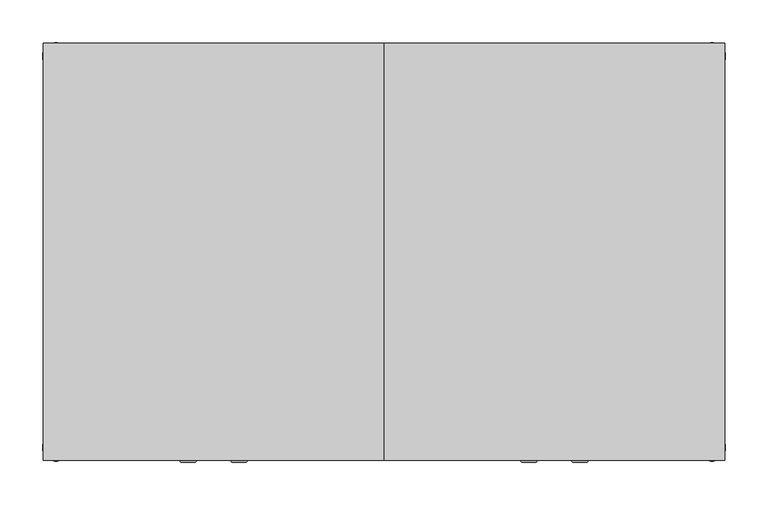
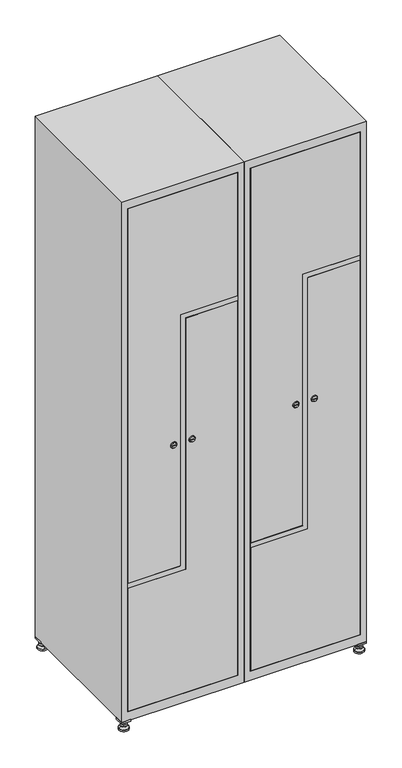
"""IFC4 building model written with IfcOpenShell, lengths in millimetres: furniture geometry."""

from ifc_helpers import new_model, si_unit, point, frame, frame_2d, origin, origin_with_axes, place, context, project, spatial, polyline, circle_curve, trimmed, segment, composite_curve, outline, extrude, faceted_brep, source, transform, mapped, element, save
from ifc_brep_helpers import plane_surface, revolved_surface, advanced_brep


def furniture_44a6886c(model_context):
    return source(origin(), model_context, "Body", "SolidModel", [
        extrude(outline(polyline([(600.0, 245.0), (600.0, 215.0), (570.0, 215.0), (570.0, 245.0), (600.0, 245.0)]), holes=[polyline([(598.0, 243.0), (572.0, 243.0), (572.0, 217.0), (598.0, 217.0), (598.0, 243.0)])]), frame((0.0, 0.0, 28.5), z_axis=(0.0, 0.0, 1.0), x_axis=(1.0, 0.0, 0.0)), (0.0, 0.0, 1.0), 6.5),
        extrude(outline(polyline([(570.0, -245.0), (570.0, -215.0), (600.0, -215.0), (600.0, -245.0), (570.0, -245.0)]), holes=[polyline([(572.0, -243.0), (598.0, -243.0), (598.0, -217.0), (572.0, -217.0), (572.0, -243.0)])]), frame((0.0, 0.0, 28.5), z_axis=(0.0, 0.0, 1.0), x_axis=(1.0, 0.0, 0.0)), (0.0, 0.0, 1.0), 6.5),
        extrude(outline(polyline([(-170.0, 245.0), (-170.0, 215.0), (-200.0, 215.0), (-200.0, 245.0), (-170.0, 245.0)]), holes=[polyline([(-172.0, 243.0), (-198.0, 243.0), (-198.0, 217.0), (-172.0, 217.0), (-172.0, 243.0)])]), frame((0.0, 0.0, 28.5), z_axis=(0.0, 0.0, 1.0), x_axis=(1.0, 0.0, 0.0)), (0.0, 0.0, 1.0), 6.5),
        extrude(outline(polyline([(-170.0, -215.0), (-170.0, -245.0), (-200.0, -245.0), (-200.0, -215.0), (-170.0, -215.0)]), holes=[polyline([(-198.0, -243.0), (-172.0, -243.0), (-172.0, -217.0), (-198.0, -217.0), (-198.0, -243.0)])]), frame((0.0, 0.0, 28.5), z_axis=(0.0, 0.0, 1.0), x_axis=(1.0, 0.0, 0.0)), (0.0, 0.0, 1.0), 6.5),
        extrude(outline(composite_curve([segment(trimmed(circle_curve(frame_2d((-185.0, 230.0)), 5.0), [point((-180.0, 230.0))], [point((-190.0, 230.0))], False, "CARTESIAN"), True, "CONTINUOUS"), segment(trimmed(circle_curve(frame_2d((-185.0, 230.0)), 5.0), [point((-190.0, 230.0))], [point((-180.0, 230.0))], False, "CARTESIAN"), True, "CONTINUOUS")], self_intersect=False)), frame((0.0, 0.0, 19.6), z_axis=(0.0, 0.0, 1.0), x_axis=(1.0, 0.0, 0.0)), (0.0, 0.0, 1.0), 15.4),
        extrude(outline(composite_curve([segment(trimmed(circle_curve(frame_2d((-185.0, -230.0)), 5.0), [point((-180.0, -230.0))], [point((-190.0, -230.0))], False, "CARTESIAN"), True, "CONTINUOUS"), segment(trimmed(circle_curve(frame_2d((-185.0, -230.0)), 5.0), [point((-190.0, -230.0))], [point((-180.0, -230.0))], False, "CARTESIAN"), True, "CONTINUOUS")], self_intersect=False)), frame((0.0, 0.0, 19.6), z_axis=(0.0, 0.0, 1.0), x_axis=(1.0, 0.0, 0.0)), (0.0, 0.0, 1.0), 15.4),
        extrude(outline(composite_curve([segment(trimmed(circle_curve(frame_2d((585.0, 230.0)), 5.0), [point((590.0, 230.0))], [point((580.0, 230.0))], False, "CARTESIAN"), True, "CONTINUOUS"), segment(trimmed(circle_curve(frame_2d((585.0, 230.0)), 5.0), [point((580.0, 230.0))], [point((590.0, 230.0))], False, "CARTESIAN"), True, "CONTINUOUS")], self_intersect=False)), frame((0.0, 0.0, 19.6), z_axis=(0.0, 0.0, 1.0), x_axis=(1.0, 0.0, 0.0)), (0.0, 0.0, 1.0), 15.4),
        extrude(outline(polyline([(573.4529946, 230.0), (579.2264973, 240.0), (590.7735027, 240.0), (596.5470054, 230.0), (590.7735027, 220.0), (579.2264973, 220.0), (573.4529946, 230.0)])), frame((0.0, 0.0, 13.6), z_axis=(0.0, 0.0, 1.0), x_axis=(1.0, 0.0, 0.0)), (0.0, 0.0, 1.0), 6.0),
        extrude(outline(composite_curve([segment(trimmed(circle_curve(frame_2d((585.0, -230.0)), 5.0), [point((590.0, -230.0))], [point((580.0, -230.0))], False, "CARTESIAN"), True, "CONTINUOUS"), segment(trimmed(circle_curve(frame_2d((585.0, -230.0)), 5.0), [point((580.0, -230.0))], [point((590.0, -230.0))], False, "CARTESIAN"), True, "CONTINUOUS")], self_intersect=False)), frame((0.0, 0.0, 19.6), z_axis=(0.0, 0.0, 1.0), x_axis=(1.0, 0.0, 0.0)), (0.0, 0.0, 1.0), 15.4),
        extrude(outline(polyline([(573.4529946, -230.0), (579.2264973, -220.0), (590.7735027, -220.0), (596.5470054, -230.0), (590.7735027, -240.0), (579.2264973, -240.0), (573.4529946, -230.0)])), frame((0.0, 0.0, 13.6), z_axis=(0.0, 0.0, 1.0), x_axis=(1.0, 0.0, 0.0)), (0.0, 0.0, 1.0), 6.0),
        extrude(outline(composite_curve([segment(trimmed(circle_curve(frame_2d((585.0, 230.0)), 5.0), [point((590.0, 230.0))], [point((580.0, 230.0))], False, "CARTESIAN"), True, "CONTINUOUS"), segment(trimmed(circle_curve(frame_2d((585.0, 230.0)), 5.0), [point((580.0, 230.0))], [point((590.0, 230.0))], False, "CARTESIAN"), True, "CONTINUOUS")], self_intersect=False)), frame((0.0, 0.0, 12.1), z_axis=(0.0, 0.0, 1.0), x_axis=(1.0, 0.0, 0.0)), (0.0, 0.0, 1.0), 1.5),
        extrude(outline(composite_curve([segment(trimmed(circle_curve(frame_2d((585.0, -230.0)), 5.0), [point((590.0, -230.0))], [point((580.0, -230.0))], False, "CARTESIAN"), True, "CONTINUOUS"), segment(trimmed(circle_curve(frame_2d((585.0, -230.0)), 5.0), [point((580.0, -230.0))], [point((590.0, -230.0))], False, "CARTESIAN"), True, "CONTINUOUS")], self_intersect=False)), frame((0.0, 0.0, 12.1), z_axis=(0.0, 0.0, 1.0), x_axis=(1.0, 0.0, 0.0)), (0.0, 0.0, 1.0), 1.5),
        extrude(outline(polyline([(-196.5470054, 230.0), (-190.7735027, 240.0), (-179.2264973, 240.0), (-173.4529946, 230.0), (-179.2264973, 220.0), (-190.7735027, 220.0), (-196.5470054, 230.0)])), frame((0.0, 0.0, 13.6), z_axis=(0.0, 0.0, 1.0), x_axis=(1.0, 0.0, 0.0)), (0.0, 0.0, 1.0), 6.0),
        extrude(outline(polyline([(-196.5470054, -230.0), (-190.7735027, -220.0), (-179.2264973, -220.0), (-173.4529946, -230.0), (-179.2264973, -240.0), (-190.7735027, -240.0), (-196.5470054, -230.0)])), frame((0.0, 0.0, 13.6), z_axis=(0.0, 0.0, 1.0), x_axis=(1.0, 0.0, 0.0)), (0.0, 0.0, 1.0), 6.0),
        extrude(outline(composite_curve([segment(trimmed(circle_curve(frame_2d((-185.0, 230.0)), 5.0), [point((-185.0, 235.0))], [point((-185.0, 225.0))], False, "CARTESIAN"), True, "CONTINUOUS"), segment(trimmed(circle_curve(frame_2d((-185.0, 230.0)), 5.0), [point((-185.0, 225.0))], [point((-185.0, 235.0))], False, "CARTESIAN"), True, "CONTINUOUS")], self_intersect=False)), frame((0.0, 0.0, 12.1), z_axis=(0.0, 0.0, 1.0), x_axis=(1.0, 0.0, 0.0)), (0.0, 0.0, 1.0), 1.5),
        extrude(outline(composite_curve([segment(trimmed(circle_curve(frame_2d((-185.0, -230.0)), 5.0), [point((-180.0, -230.0))], [point((-190.0, -230.0))], False, "CARTESIAN"), True, "CONTINUOUS"), segment(trimmed(circle_curve(frame_2d((-185.0, -230.0)), 5.0), [point((-190.0, -230.0))], [point((-180.0, -230.0))], False, "CARTESIAN"), True, "CONTINUOUS")], self_intersect=False)), frame((0.0, 0.0, 12.1), z_axis=(0.0, 0.0, 1.0), x_axis=(1.0, 0.0, 0.0)), (0.0, 0.0, 1.0), 1.5),
        extrude(outline(composite_curve([segment(trimmed(circle_curve(frame_2d((585.0, 230.0)), 15.75), [point((600.75, 230.0))], [point((569.25, 230.0))], False, "CARTESIAN"), True, "CONTINUOUS"), segment(trimmed(circle_curve(frame_2d((585.0, 230.0)), 15.75), [point((569.25, 230.0))], [point((600.75, 230.0))], False, "CARTESIAN"), True, "CONTINUOUS")], self_intersect=False)), origin_with_axes(), (0.0, 0.0, 1.0), 5.1),
        extrude(outline(composite_curve([segment(trimmed(circle_curve(frame_2d((585.0, -230.0)), 15.75), [point((585.0, -214.25))], [point((585.0, -245.75))], False, "CARTESIAN"), True, "CONTINUOUS"), segment(trimmed(circle_curve(frame_2d((585.0, -230.0)), 15.75), [point((585.0, -245.75))], [point((585.0, -214.25))], False, "CARTESIAN"), True, "CONTINUOUS")], self_intersect=False)), origin_with_axes(), (0.0, 0.0, 1.0), 5.1),
        extrude(outline(composite_curve([segment(trimmed(circle_curve(frame_2d((-185.0, -230.0)), 15.75), [point((-169.25, -230.0))], [point((-200.75, -230.0))], False, "CARTESIAN"), True, "CONTINUOUS"), segment(trimmed(circle_curve(frame_2d((-185.0, -230.0)), 15.75), [point((-200.75, -230.0))], [point((-169.25, -230.0))], False, "CARTESIAN"), True, "CONTINUOUS")], self_intersect=False)), origin_with_axes(), (0.0, 0.0, 1.0), 5.1),
        extrude(outline(composite_curve([segment(trimmed(circle_curve(frame_2d((-185.0, 230.0)), 15.75), [point((-169.25, 230.0))], [point((-200.75, 230.0))], False, "CARTESIAN"), True, "CONTINUOUS"), segment(trimmed(circle_curve(frame_2d((-185.0, 230.0)), 15.75), [point((-200.75, 230.0))], [point((-169.25, 230.0))], False, "CARTESIAN"), True, "CONTINUOUS")], self_intersect=False)), origin_with_axes(), (0.0, 0.0, 1.0), 5.1),
        advanced_brep(
        [(-185.0, 245.75, 5.1), (-185.0, 214.25, 5.1), (-185.0, 239.5, 12.1), (-185.0, 220.5, 12.1)],
        [
            (0, 1, circle_curve(frame((-185.0, 230.0, 5.1), z_axis=(0.0, 0.0, -1.0), x_axis=(0.0, 1.0, 0.0)), 15.75)),
            (1, 0, circle_curve(frame((-185.0, 230.0, 5.1), z_axis=(0.0, 0.0, -1.0), x_axis=(0.0, -1.0, 0.0)), 15.75)),
            (2, 3, circle_curve(frame((-185.0, 230.0, 12.1), z_axis=(0.0, 0.0, 1.0), x_axis=(0.0, -1.0, 0.0)), 9.5)),
            (3, 2, circle_curve(frame((-185.0, 230.0, 12.1), z_axis=(0.0, 0.0, 1.0), x_axis=(0.0, 1.0, 0.0)), 9.5)),
            (3, 1),
            (0, 2),
        ],
        [
            plane_surface(frame((-185.0, 230.0, 5.1), z_axis=(0.0, 0.0, -1.0), x_axis=(1.0, 0.0, 0.0))),
            plane_surface(frame((-185.0, 230.0, 12.1), z_axis=(0.0, 0.0, 1.0), x_axis=(1.0, 0.0, 0.0))),
            revolved_surface(polyline([(-185.0, 220.5, 12.099999999999998), (-185.0, 214.25, 5.099999999999998)]), (-185.0, 230.0, 22.74), (0.0, 0.0, -1.0)),
            revolved_surface(polyline([(-185.0, 239.5, 12.099999999999998), (-185.0, 245.75, 5.099999999999998)]), (-185.0, 230.0, 22.74), (0.0, 0.0, -1.0)),
        ],
        [
            (0, [[1, 2]]),
            (1, [[3, 4]]),
            (2, [[-4, 5, -1, 6]]),
            (3, [[-3, -6, -2, -5]]),
        ],
    ),
        advanced_brep(
        [(585.0, 245.75, 5.1), (585.0, 214.25, 5.1), (585.0, 239.5, 12.1), (585.0, 220.5, 12.1)],
        [
            (0, 1, circle_curve(frame((585.0, 230.0, 5.1), z_axis=(0.0, 0.0, -1.0), x_axis=(0.0, 1.0, 0.0)), 15.75)),
            (1, 0, circle_curve(frame((585.0, 230.0, 5.1), z_axis=(0.0, 0.0, -1.0), x_axis=(0.0, -1.0, 0.0)), 15.75)),
            (2, 3, circle_curve(frame((585.0, 230.0, 12.1), z_axis=(0.0, 0.0, 1.0), x_axis=(0.0, -1.0, 0.0)), 9.5)),
            (3, 2, circle_curve(frame((585.0, 230.0, 12.1), z_axis=(0.0, 0.0, 1.0), x_axis=(0.0, 1.0, 0.0)), 9.5)),
            (3, 1),
            (0, 2),
        ],
        [
            plane_surface(frame((585.0, 230.0, 5.1), z_axis=(0.0, 0.0, -1.0), x_axis=(1.0, 0.0, 0.0))),
            plane_surface(frame((585.0, 230.0, 12.1), z_axis=(0.0, 0.0, 1.0), x_axis=(1.0, 0.0, 0.0))),
            revolved_surface(polyline([(585.0, 220.5, 12.099999999999998), (585.0, 214.25, 5.099999999999998)]), (585.0, 230.0, 22.74), (0.0, 0.0, -1.0)),
            revolved_surface(polyline([(585.0, 239.5, 12.099999999999998), (585.0, 245.75, 5.099999999999998)]), (585.0, 230.0, 22.74), (0.0, 0.0, -1.0)),
        ],
        [
            (0, [[1, 2]]),
            (1, [[3, 4]]),
            (2, [[-4, 5, -1, 6]]),
            (3, [[-3, -6, -2, -5]]),
        ],
    ),
        advanced_brep(
        [(594.5, -230.0, 12.1), (575.5, -230.0, 12.1), (600.75, -230.0, 5.1), (569.25, -230.0, 5.1)],
        [
            (0, 1, circle_curve(frame((585.0, -230.0, 12.1), z_axis=(0.0, 0.0, 1.0), x_axis=(1.0, 0.0, 0.0)), 9.5)),
            (1, 0, circle_curve(frame((585.0, -230.0, 12.1), z_axis=(0.0, 0.0, 1.0), x_axis=(-1.0, 0.0, 0.0)), 9.5)),
            (2, 3, circle_curve(frame((585.0, -230.0, 5.1), z_axis=(0.0, 0.0, -1.0), x_axis=(-1.0, 0.0, 0.0)), 15.75)),
            (3, 2, circle_curve(frame((585.0, -230.0, 5.1), z_axis=(0.0, 0.0, -1.0), x_axis=(1.0, 0.0, 0.0)), 15.75)),
            (3, 1),
            (0, 2),
        ],
        [
            plane_surface(frame((585.0, -230.0, 12.1), z_axis=(0.0, 0.0, 1.0), x_axis=(0.0, 1.0, 0.0))),
            plane_surface(frame((585.0, -230.0, 5.1), z_axis=(0.0, 0.0, -1.0), x_axis=(0.0, 1.0, 0.0))),
            revolved_surface(polyline([(594.5, -230.0, 12.099999999999998), (600.75, -230.0, 5.099999999999998)]), (585.0, -230.0, 22.74), (0.0, 0.0, -1.0)),
            revolved_surface(polyline([(575.5, -230.0, 12.099999999999998), (569.25, -230.0, 5.099999999999998)]), (585.0, -230.0, 22.74), (0.0, 0.0, -1.0)),
        ],
        [
            (0, [[1, 2]]),
            (1, [[3, 4]]),
            (2, [[-4, 5, -1, 6]]),
            (3, [[-3, -6, -2, -5]]),
        ],
    ),
        advanced_brep(
        [(-175.5, -230.0, 12.1), (-194.5, -230.0, 12.1), (-169.25, -230.0, 5.1), (-200.75, -230.0, 5.1)],
        [
            (0, 1, circle_curve(frame((-185.0, -230.0, 12.1), z_axis=(0.0, 0.0, 1.0), x_axis=(1.0, 0.0, 0.0)), 9.5)),
            (1, 0, circle_curve(frame((-185.0, -230.0, 12.1), z_axis=(0.0, 0.0, 1.0), x_axis=(-1.0, 0.0, 0.0)), 9.5)),
            (2, 3, circle_curve(frame((-185.0, -230.0, 5.1), z_axis=(0.0, 0.0, -1.0), x_axis=(-1.0, 0.0, 0.0)), 15.75)),
            (3, 2, circle_curve(frame((-185.0, -230.0, 5.1), z_axis=(0.0, 0.0, -1.0), x_axis=(1.0, 0.0, 0.0)), 15.75)),
            (3, 1),
            (0, 2),
        ],
        [
            plane_surface(frame((-185.0, -230.0, 12.1), z_axis=(0.0, 0.0, 1.0), x_axis=(0.0, 1.0, 0.0))),
            plane_surface(frame((-185.0, -230.0, 5.1), z_axis=(0.0, 0.0, -1.0), x_axis=(0.0, 1.0, 0.0))),
            revolved_surface(polyline([(-175.5, -230.0, 12.099999999999998), (-169.25, -230.0, 5.099999999999998)]), (-185.0, -230.0, 22.74), (0.0, 0.0, -1.0)),
            revolved_surface(polyline([(-194.5, -230.0, 12.099999999999998), (-200.75, -230.0, 5.099999999999998)]), (-185.0, -230.0, 22.74), (0.0, 0.0, -1.0)),
        ],
        [
            (0, [[1, 2]]),
            (1, [[3, 4]]),
            (2, [[-4, 5, -1, 6]]),
            (3, [[-3, -6, -2, -5]]),
        ],
    ),
        extrude(outline(composite_curve([segment(trimmed(circle_curve(frame_2d((935.0, 396.7989466)), 7.0), [point((928.0, 396.7989466))], [point((942.0, 396.7989466))], False, "CARTESIAN"), True, "CONTINUOUS"), segment(polyline([(942.0, 396.7989466), (942.0, 368.7989466)]), True, "CONTINUOUS"), segment(trimmed(circle_curve(frame_2d((935.0, 368.7989466)), 7.0), [point((942.0, 368.7989466))], [point((928.0, 368.7989466))], False, "CARTESIAN"), True, "CONTINUOUS"), segment(polyline([(928.0, 368.7989466), (928.0, 396.7989466)]), True, "CONTINUOUS")], self_intersect=False)), frame((0.0, -227.0, 0.0), z_axis=(0.0, 1.0, 0.0), x_axis=(0.0, 0.0, 1.0)), (0.0, 0.0, 1.0), 2.0),
        advanced_brep(
        [(361.5, -247.2, 935.0), (378.5, -247.2, 935.0), (375.0, -247.2, 936.25), (375.0, -247.2, 933.75), (365.0, -247.2, 933.75), (365.0, -247.2, 936.25), (359.5, -245.0, 935.0), (380.5, -245.0, 935.0), (375.0, -245.0, 933.75), (375.0, -245.0, 936.25), (365.0, -245.0, 936.25), (365.0, -245.0, 933.75)],
        [
            (0, 1, circle_curve(frame((370.0, -247.2, 935.0), z_axis=(0.0, -1.0, 0.0), x_axis=(-1.0, 0.0, 0.0)), 8.5)),
            (1, 0, circle_curve(frame((370.0, -247.2, 935.0), z_axis=(0.0, -1.0, 0.0), x_axis=(1.0, 0.0, 0.0)), 8.5)),
            (2, 3),
            (3, 4),
            (4, 5),
            (5, 2),
            (6, 7, circle_curve(frame((370.0, -245.0, 935.0), z_axis=(0.0, 1.0, 0.0), x_axis=(1.0, 0.0, 0.0)), 10.5)),
            (7, 6, circle_curve(frame((370.0, -245.0, 935.0), z_axis=(0.0, 1.0, 0.0), x_axis=(-1.0, 0.0, 0.0)), 10.5)),
            (8, 9),
            (9, 10),
            (10, 11),
            (11, 8),
            (0, 6),
            (7, 1),
            (8, 3),
            (2, 9),
            (11, 4),
            (10, 5),
        ],
        [
            plane_surface(frame((370.0, -247.2, 935.0), z_axis=(0.0, -1.0, 0.0), x_axis=(0.0, 0.0, -1.0))),
            plane_surface(frame((370.0, -245.0, 935.0), z_axis=(0.0, 1.0, 0.0), x_axis=(0.0, 0.0, -1.0))),
            revolved_surface(polyline([(361.5, -247.2, 935.0), (359.5, -245.0, 935.0)]), (370.0, -256.55, 935.0), (0.0, 1.0, 0.0)),
            revolved_surface(polyline([(378.5, -247.2, 935.0), (380.5, -245.0, 935.0)]), (370.0, -256.55, 935.0), (0.0, 1.0, 0.0)),
            plane_surface(frame((375.0, -245.0, 936.25), z_axis=(-1.0, 0.0, 0.0), x_axis=(0.0, -1.0, 0.0))),
            plane_surface(frame((375.0, -245.0, 933.75), z_axis=(0.0, 0.0, 1.0), x_axis=(0.0, -1.0, 0.0))),
            plane_surface(frame((365.0, -245.0, 933.75), z_axis=(1.0, 0.0, 0.0), x_axis=(0.0, -1.0, 0.0))),
            plane_surface(frame((365.0, -245.0, 936.25), z_axis=(0.0, 0.0, -1.0), x_axis=(0.0, -1.0, 0.0))),
        ],
        [
            (0, [[1, 2], [3, 4, 5, 6]]),
            (1, [[7, 8], [9, 10, 11, 12]]),
            (2, [[-1, 13, -8, 14]]),
            (3, [[-2, -14, -7, -13]]),
            (4, [[15, -3, 16, -9]]),
            (5, [[-15, -12, 17, -4]]),
            (6, [[-17, -11, 18, -5]]),
            (7, [[-16, -6, -18, -10]]),
        ],
    ),
        extrude(outline(polyline([(1803.8, 221.4), (509.6, 221.4), (509.6, 391.0), (1378.4, 391.0), (1378.4, 578.6), (1803.8, 578.6), (1803.8, 221.4)])), frame((0.0, -245.0, 0.0), z_axis=(0.0, 1.0, 0.0), x_axis=(0.0, 0.0, 1.0)), (0.0, 0.0, 1.0), 18.0),
        extrude(outline(composite_curve([segment(trimmed(circle_curve(frame_2d((935.0, 403.2010534)), 7.0), [point((942.0, 403.2010534))], [point((928.0, 403.2010534))], False, "CARTESIAN"), True, "CONTINUOUS"), segment(polyline([(928.0, 403.2010534), (928.0, 431.2010534)]), True, "CONTINUOUS"), segment(trimmed(circle_curve(frame_2d((935.0, 431.2010534)), 7.0), [point((928.0, 431.2010534))], [point((942.0, 431.2010534))], False, "CARTESIAN"), True, "CONTINUOUS"), segment(polyline([(942.0, 431.2010534), (942.0, 403.2010534)]), True, "CONTINUOUS")], self_intersect=False)), frame((0.0, -227.0, 0.0), z_axis=(0.0, 1.0, 0.0), x_axis=(0.0, 0.0, 1.0)), (0.0, 0.0, 1.0), 2.0),
        advanced_brep(
        [(438.5, -247.2, 935.0), (421.5, -247.2, 935.0), (425.0, -247.2, 933.75), (425.0, -247.2, 936.25), (435.0, -247.2, 936.25), (435.0, -247.2, 933.75), (440.5, -245.0, 935.0), (419.5, -245.0, 935.0), (425.0, -245.0, 936.25), (425.0, -245.0, 933.75), (435.0, -245.0, 933.75), (435.0, -245.0, 936.25)],
        [
            (0, 1, circle_curve(frame((430.0, -247.2, 935.0), z_axis=(0.0, -1.0, 0.0), x_axis=(1.0, 0.0, 0.0)), 8.5)),
            (1, 0, circle_curve(frame((430.0, -247.2, 935.0), z_axis=(0.0, -1.0, 0.0), x_axis=(-1.0, 0.0, 0.0)), 8.5)),
            (2, 3),
            (3, 4),
            (4, 5),
            (5, 2),
            (6, 7, circle_curve(frame((430.0, -245.0, 935.0), z_axis=(0.0, 1.0, 0.0), x_axis=(-1.0, 0.0, 0.0)), 10.5)),
            (7, 6, circle_curve(frame((430.0, -245.0, 935.0), z_axis=(0.0, 1.0, 0.0), x_axis=(1.0, 0.0, 0.0)), 10.5)),
            (8, 9),
            (9, 10),
            (10, 11),
            (11, 8),
            (0, 6),
            (7, 1),
            (8, 3),
            (2, 9),
            (11, 4),
            (10, 5),
        ],
        [
            plane_surface(frame((430.0, -247.2, 935.0), z_axis=(0.0, -1.0, 0.0), x_axis=(0.0, 0.0, 1.0))),
            plane_surface(frame((430.0, -245.0, 935.0), z_axis=(0.0, 1.0, 0.0), x_axis=(0.0, 0.0, 1.0))),
            revolved_surface(polyline([(438.5, -247.2, 935.0), (440.5, -245.0, 935.0)]), (430.0, -256.55, 935.0), (0.0, 1.0, 0.0)),
            revolved_surface(polyline([(421.5, -247.2, 935.0), (419.5, -245.0, 935.0)]), (430.0, -256.55, 935.0), (0.0, 1.0, 0.0)),
            plane_surface(frame((425.0, -245.0, 933.75), z_axis=(1.0, 0.0, 0.0), x_axis=(0.0, -1.0, 0.0))),
            plane_surface(frame((425.0, -245.0, 936.25), z_axis=(0.0, 0.0, -1.0), x_axis=(0.0, -1.0, 0.0))),
            plane_surface(frame((435.0, -245.0, 936.25), z_axis=(-1.0, 0.0, 0.0), x_axis=(0.0, -1.0, 0.0))),
            plane_surface(frame((435.0, -245.0, 933.75), z_axis=(0.0, 0.0, 1.0), x_axis=(0.0, -1.0, 0.0))),
        ],
        [
            (0, [[1, 2], [3, 4, 5, 6]]),
            (1, [[7, 8], [9, 10, 11, 12]]),
            (2, [[-1, 13, -8, 14]]),
            (3, [[-2, -14, -7, -13]]),
            (4, [[15, -3, 16, -9]]),
            (5, [[-15, -12, 17, -4]]),
            (6, [[-17, -11, 18, -5]]),
            (7, [[-16, -6, -18, -10]]),
        ],
    ),
        extrude(outline(polyline([(66.2, 578.6), (1360.4, 578.6), (1360.4, 409.0), (491.6, 409.0), (491.6, 221.4), (66.2, 221.4), (66.2, 578.6)])), frame((0.0, -245.0, 0.0), z_axis=(0.0, 1.0, 0.0), x_axis=(0.0, 0.0, 1.0)), (0.0, 0.0, 1.0), 18.0),
        extrude(outline(polyline([(1361.4, 579.6), (1377.4, 579.6), (1377.4, 392.0), (508.6, 392.0), (508.6, 220.4), (492.6, 220.4), (492.6, 408.0), (1361.4, 408.0), (1361.4, 579.6)])), frame((0.0, -245.0, 0.0), z_axis=(0.0, 1.0, 0.0), x_axis=(0.0, 0.0, 1.0)), (0.0, 0.0, 1.0), 487.0),
        faceted_brep([(600.0, -245.0, 35.0), (600.0, -245.0, 1835.0), (200.0, -245.0, 1835.0), (200.0, -245.0, 35.0), (579.6, -245.0, 1804.8), (579.6, -245.0, 65.2), (220.4, -245.0, 65.2), (220.4, -245.0, 1804.8), (600.0, 245.0, 35.0), (200.0, 245.0, 35.0), (600.0, 245.0, 1835.0), (200.0, 245.0, 1835.0), (579.6, 242.0, 1804.8), (579.6, 242.0, 65.2), (200.0, 245.0, 1804.8), (220.4, 242.0, 1804.8), (220.4, 242.0, 65.2)], [[[0, 1, 2, 3], [4, 5, 6, 7]], [[8, 0, 3, 9]], [[1, 0, 8, 10]], [[1, 10, 11, 2]], [[4, 12, 13, 5]], [[9, 3, 2, 11, 14]], [[10, 8, 9, 14, 11]], [[12, 15, 16, 13]], [[15, 7, 6, 16]], [[4, 7, 15, 12]], [[6, 5, 13, 16]]]),
        extrude(outline(composite_curve([segment(trimmed(circle_curve(frame_2d((935.0, -3.2010534)), 7.0), [point((928.0, -3.2010534))], [point((942.0, -3.2010534))], False, "CARTESIAN"), True, "CONTINUOUS"), segment(polyline([(942.0, -3.2010534), (942.0, -31.2010534)]), True, "CONTINUOUS"), segment(trimmed(circle_curve(frame_2d((935.0, -31.2010534)), 7.0), [point((942.0, -31.2010534))], [point((928.0, -31.2010534))], False, "CARTESIAN"), True, "CONTINUOUS"), segment(polyline([(928.0, -31.2010534), (928.0, -3.2010534)]), True, "CONTINUOUS")], self_intersect=False)), frame((0.0, -227.0, 0.0), z_axis=(0.0, 1.0, 0.0), x_axis=(0.0, 0.0, 1.0)), (0.0, 0.0, 1.0), 2.0),
        advanced_brep(
        [(-38.5, -247.2, 935.0), (-21.5, -247.2, 935.0), (-25.0, -247.2, 936.25), (-25.0, -247.2, 933.75), (-35.0, -247.2, 933.75), (-35.0, -247.2, 936.25), (-40.5, -245.0, 935.0), (-19.5, -245.0, 935.0), (-25.0, -245.0, 933.75), (-25.0, -245.0, 936.25), (-35.0, -245.0, 936.25), (-35.0, -245.0, 933.75)],
        [
            (0, 1, circle_curve(frame((-30.0, -247.2, 935.0), z_axis=(0.0, -1.0, 0.0), x_axis=(-1.0, 0.0, 0.0)), 8.5)),
            (1, 0, circle_curve(frame((-30.0, -247.2, 935.0), z_axis=(0.0, -1.0, 0.0), x_axis=(1.0, 0.0, 0.0)), 8.5)),
            (2, 3),
            (3, 4),
            (4, 5),
            (5, 2),
            (6, 7, circle_curve(frame((-30.0, -245.0, 935.0), z_axis=(0.0, 1.0, 0.0), x_axis=(1.0, 0.0, 0.0)), 10.5)),
            (7, 6, circle_curve(frame((-30.0, -245.0, 935.0), z_axis=(0.0, 1.0, 0.0), x_axis=(-1.0, 0.0, 0.0)), 10.5)),
            (8, 9),
            (9, 10),
            (10, 11),
            (11, 8),
            (0, 6),
            (7, 1),
            (8, 3),
            (2, 9),
            (11, 4),
            (10, 5),
        ],
        [
            plane_surface(frame((-30.0, -247.2, 935.0), z_axis=(0.0, -1.0, 0.0), x_axis=(0.0, 0.0, -1.0))),
            plane_surface(frame((-30.0, -245.0, 935.0), z_axis=(0.0, 1.0, 0.0), x_axis=(0.0, 0.0, -1.0))),
            revolved_surface(polyline([(-38.500000000000014, -247.2, 935.0), (-40.5, -245.0, 935.0)]), (-30.0, -256.55, 935.0), (0.0, 1.0, 0.0)),
            revolved_surface(polyline([(-21.499999999999986, -247.2, 935.0), (-19.5, -245.0, 935.0)]), (-30.0, -256.55, 935.0), (0.0, 1.0, 0.0)),
            plane_surface(frame((-25.0, -245.0, 936.25), z_axis=(-1.0, 0.0, 0.0), x_axis=(0.0, -1.0, 0.0))),
            plane_surface(frame((-25.0, -245.0, 933.75), z_axis=(0.0, 0.0, 1.0), x_axis=(0.0, -1.0, 0.0))),
            plane_surface(frame((-35.0, -245.0, 933.75), z_axis=(1.0, 0.0, 0.0), x_axis=(0.0, -1.0, 0.0))),
            plane_surface(frame((-35.0, -245.0, 936.25), z_axis=(0.0, 0.0, -1.0), x_axis=(0.0, -1.0, 0.0))),
        ],
        [
            (0, [[1, 2], [3, 4, 5, 6]]),
            (1, [[7, 8], [9, 10, 11, 12]]),
            (2, [[-1, 13, -8, 14]]),
            (3, [[-2, -14, -7, -13]]),
            (4, [[15, -3, 16, -9]]),
            (5, [[-15, -12, 17, -4]]),
            (6, [[-17, -11, 18, -5]]),
            (7, [[-16, -6, -18, -10]]),
        ],
    ),
        extrude(outline(polyline([(1803.8, -178.6), (509.6, -178.6), (509.6, -9.0), (1378.4, -9.0), (1378.4, 178.6), (1803.8, 178.6), (1803.8, -178.6)])), frame((0.0, -245.0, 0.0), z_axis=(0.0, 1.0, 0.0), x_axis=(0.0, 0.0, 1.0)), (0.0, 0.0, 1.0), 18.0),
        extrude(outline(composite_curve([segment(trimmed(circle_curve(frame_2d((935.0, 3.2010534)), 7.0), [point((942.0, 3.2010534))], [point((928.0, 3.2010534))], False, "CARTESIAN"), True, "CONTINUOUS"), segment(polyline([(928.0, 3.2010534), (928.0, 31.2010534)]), True, "CONTINUOUS"), segment(trimmed(circle_curve(frame_2d((935.0, 31.2010534)), 7.0), [point((928.0, 31.2010534))], [point((942.0, 31.2010534))], False, "CARTESIAN"), True, "CONTINUOUS"), segment(polyline([(942.0, 31.2010534), (942.0, 3.2010534)]), True, "CONTINUOUS")], self_intersect=False)), frame((0.0, -227.0, 0.0), z_axis=(0.0, 1.0, 0.0), x_axis=(0.0, 0.0, 1.0)), (0.0, 0.0, 1.0), 2.0),
        advanced_brep(
        [(38.5, -247.2, 935.0), (21.5, -247.2, 935.0), (25.0, -247.2, 933.75), (25.0, -247.2, 936.25), (35.0, -247.2, 936.25), (35.0, -247.2, 933.75), (40.5, -245.0, 935.0), (19.5, -245.0, 935.0), (25.0, -245.0, 936.25), (25.0, -245.0, 933.75), (35.0, -245.0, 933.75), (35.0, -245.0, 936.25)],
        [
            (0, 1, circle_curve(frame((30.0, -247.2, 935.0), z_axis=(0.0, -1.0, 0.0), x_axis=(1.0, 0.0, 0.0)), 8.5)),
            (1, 0, circle_curve(frame((30.0, -247.2, 935.0), z_axis=(0.0, -1.0, 0.0), x_axis=(-1.0, 0.0, 0.0)), 8.5)),
            (2, 3),
            (3, 4),
            (4, 5),
            (5, 2),
            (6, 7, circle_curve(frame((30.0, -245.0, 935.0), z_axis=(0.0, 1.0, 0.0), x_axis=(-1.0, 0.0, 0.0)), 10.5)),
            (7, 6, circle_curve(frame((30.0, -245.0, 935.0), z_axis=(0.0, 1.0, 0.0), x_axis=(1.0, 0.0, 0.0)), 10.5)),
            (8, 9),
            (9, 10),
            (10, 11),
            (11, 8),
            (0, 6),
            (7, 1),
            (8, 3),
            (2, 9),
            (11, 4),
            (10, 5),
        ],
        [
            plane_surface(frame((30.0, -247.2, 935.0), z_axis=(0.0, -1.0, 0.0), x_axis=(0.0, 0.0, 1.0))),
            plane_surface(frame((30.0, -245.0, 935.0), z_axis=(0.0, 1.0, 0.0), x_axis=(0.0, 0.0, 1.0))),
            revolved_surface(polyline([(38.500000000000014, -247.2, 935.0), (40.5, -245.0, 935.0)]), (30.0, -256.55, 935.0), (0.0, 1.0, 0.0)),
            revolved_surface(polyline([(21.499999999999986, -247.2, 935.0), (19.5, -245.0, 935.0)]), (30.0, -256.55, 935.0), (0.0, 1.0, 0.0)),
            plane_surface(frame((25.0, -245.0, 933.75), z_axis=(1.0, 0.0, 0.0), x_axis=(0.0, -1.0, 0.0))),
            plane_surface(frame((25.0, -245.0, 936.25), z_axis=(0.0, 0.0, -1.0), x_axis=(0.0, -1.0, 0.0))),
            plane_surface(frame((35.0, -245.0, 936.25), z_axis=(-1.0, 0.0, 0.0), x_axis=(0.0, -1.0, 0.0))),
            plane_surface(frame((35.0, -245.0, 933.75), z_axis=(0.0, 0.0, 1.0), x_axis=(0.0, -1.0, 0.0))),
        ],
        [
            (0, [[1, 2], [3, 4, 5, 6]]),
            (1, [[7, 8], [9, 10, 11, 12]]),
            (2, [[-1, 13, -8, 14]]),
            (3, [[-2, -14, -7, -13]]),
            (4, [[15, -3, 16, -9]]),
            (5, [[-15, -12, 17, -4]]),
            (6, [[-17, -11, 18, -5]]),
            (7, [[-16, -6, -18, -10]]),
        ],
    ),
        extrude(outline(polyline([(66.2, 178.6), (1360.4, 178.6), (1360.4, 9.0), (491.6, 9.0), (491.6, -178.6), (66.2, -178.6), (66.2, 178.6)])), frame((0.0, -245.0, 0.0), z_axis=(0.0, 1.0, 0.0), x_axis=(0.0, 0.0, 1.0)), (0.0, 0.0, 1.0), 18.0),
        extrude(outline(polyline([(1361.4, 179.6), (1377.4, 179.6), (1377.4, -8.0), (508.6, -8.0), (508.6, -179.6), (492.6, -179.6), (492.6, 8.0), (1361.4, 8.0), (1361.4, 179.6)])), frame((0.0, -245.0, 0.0), z_axis=(0.0, 1.0, 0.0), x_axis=(0.0, 0.0, 1.0)), (0.0, 0.0, 1.0), 487.0),
        faceted_brep([(200.0, -245.0, 35.0), (200.0, -245.0, 1835.0), (-200.0, -245.0, 1835.0), (-200.0, -245.0, 35.0), (179.6, -245.0, 1804.8), (179.6, -245.0, 65.2), (-179.6, -245.0, 65.2), (-179.6, -245.0, 1804.8), (200.0, 245.0, 35.0), (-200.0, 245.0, 35.0), (200.0, 245.0, 1835.0), (-200.0, 245.0, 1835.0), (179.6, 242.0, 1804.8), (179.6, 242.0, 65.2), (-200.0, 245.0, 1804.8), (-179.6, 242.0, 1804.8), (-179.6, 242.0, 65.2)], [[[0, 1, 2, 3], [4, 5, 6, 7]], [[8, 0, 3, 9]], [[1, 0, 8, 10]], [[1, 10, 11, 2]], [[4, 12, 13, 5]], [[9, 3, 2, 11, 14]], [[10, 8, 9, 14, 11]], [[12, 15, 16, 13]], [[15, 7, 6, 16]], [[4, 7, 15, 12]], [[6, 5, 13, 16]]]),
    ])


if __name__ == "__main__":
    model = new_model("IFC4")
    model_context = context("Model", 3, world=origin())
    ifc_project = project(units=[si_unit("LENGTHUNIT", "METRE", prefix="MILLI")], contexts=[model_context])
    site = spatial("IfcSite", under=ifc_project)
    building = spatial("IfcBuilding", under=site)
    placement = place(None, origin())
    furniture_shape = furniture_44a6886c(model_context)
    element("IfcFurniture", 1, at=placement, inside=building, context=model_context, shape_type="MappedRepresentation", body=[
        mapped(furniture_shape, transform((0.0, 0.0, 0.0), x_axis=(1.0, 0.0, 0.0), y_axis=(0.0, 1.0, 0.0), z_axis=(0.0, 0.0, 1.0))),
    ])
    save(model, "model.ifc")
